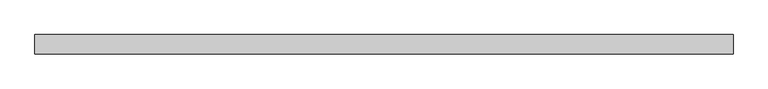
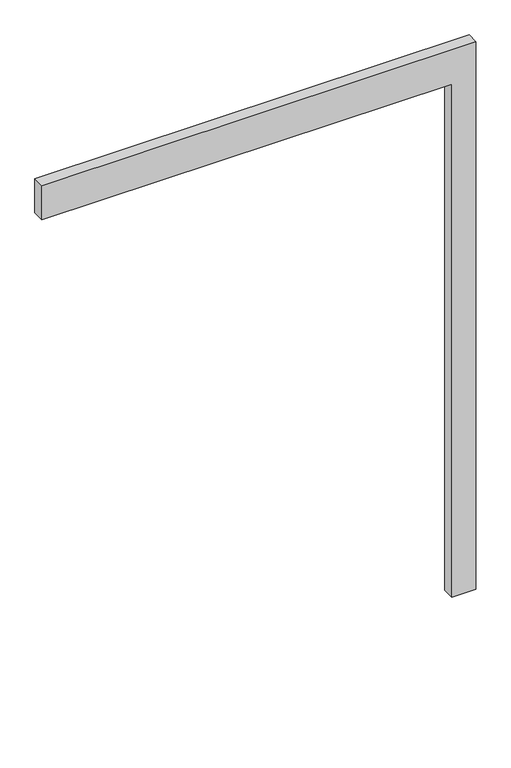
"""IFC4 building model written with IfcOpenShell, lengths in millimetres: proxy geometry."""

from ifc_helpers import new_model, si_unit, frame, origin, place, context, project, spatial, polyline, outline, extrude, source, transform, mapped, element, save


def generic_models_7fd87b11(model_context):
    return source(origin(), model_context, "Body", "SweptSolid", [
        extrude(outline(polyline([(2250.0, -1700.0), (2250.0, 0.0), (0.0, 0.0), (0.0, 100.0), (2400.0, 100.0), (2400.0, -1700.0), (2250.0, -1700.0)])), frame((0.0, -50.0, 0.0), z_axis=(0.0, 1.0, 0.0), x_axis=(0.0, 0.0, 1.0)), (0.0, 0.0, 1.0), 50.0),
    ])


if __name__ == "__main__":
    model = new_model("IFC4")
    model_context = context("Model", 3, world=origin())
    ifc_project = project(units=[si_unit("LENGTHUNIT", "METRE", prefix="MILLI")], contexts=[model_context])
    site = spatial("IfcSite", under=ifc_project)
    building = spatial("IfcBuilding", under=site)
    placement = place(None, origin())
    generic_models_shape = generic_models_7fd87b11(model_context)
    element("IfcBuildingElementProxy", 1, Name="Generic Models", at=placement, inside=building, context=model_context, shape_type="MappedRepresentation", body=[
        mapped(generic_models_shape, transform((0.0, 0.0, 0.0), x_axis=(1.0, 0.0, 0.0), y_axis=(0.0, 1.0, 0.0), z_axis=(0.0, 0.0, 1.0))),
    ])
    save(model, "model.ifc")
